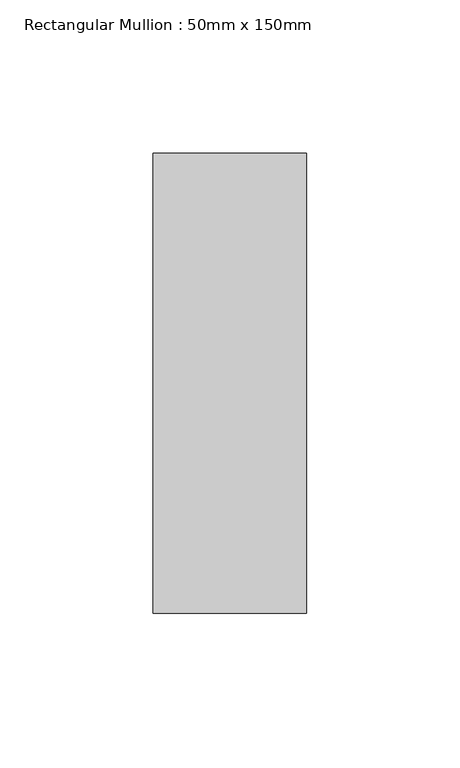
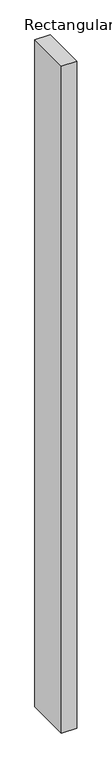
"""IFC4 building model written with IfcOpenShell, lengths in millimetres: member geometry, Rectangular Mullion : 50mm x 150mm."""

import ifcopenshell
import ifcopenshell.guid

model = None  # the IFC model being written
_history = None  # IfcOwnerHistory: only IFC2X3 demands one
_inside = {}  # id of a spatial element -> (the spatial element, [elements in it])
_under = {}  # id of a project, library or spatial element -> (it, [spatial elements below it])
_declared = {}  # id of a project -> (the project, [libraries it declares])
_typed = {}  # id of a type object -> (the type object, [elements of that type])
_made_of = {}  # id of a material, layer set ... -> (it, [elements and type objects made of it])


def new_model(schema):
    """Start an empty IFC model of exactly this schema.

    Asked for "IFC4X3", IfcOpenShell would pick the latest addendum, in which some entities
    have other attributes; the version numbers below select the first issue.
    IFC2X3 requires an IfcOwnerHistory on every rooted entity: one is made here for all.
    """
    global model, _history
    if schema == "IFC4X3":
        model = ifcopenshell.file(schema_version=(4, 3, 0, 0))
    else:
        model = ifcopenshell.file(schema=schema)
    _inside.clear()
    _under.clear()
    _declared.clear()
    _typed.clear()
    _made_of.clear()
    _history = None
    if model.schema == "IFC2X3":
        org = make("IfcOrganization", Name="unknown")
        user = make(
            "IfcPersonAndOrganization",
            ThePerson=make("IfcPerson", FamilyName="unknown"),
            TheOrganization=org,
        )
        app = make(
            "IfcApplication",
            ApplicationDeveloper=org,
            Version="unknown",
            ApplicationFullName="unknown",
            ApplicationIdentifier="unknown",
        )
        _history = make(
            "IfcOwnerHistory",
            OwningUser=user,
            OwningApplication=app,
            ChangeAction="ADDED",
            CreationDate=0,
        )
    return model


def make(cls, **values):
    """One entity of the class cls with the attributes given. An attribute that is None is left unset."""
    return model.create_entity(
        cls, **{name: value for name, value in values.items() if value is not None}
    )


def rooted(cls, **values):
    """An entity with a GlobalId (a new one), such as an element, a storey or a relation."""
    return make(cls, GlobalId=ifcopenshell.guid.new(), OwnerHistory=_history, **values)


def si_unit(unit_type, name, prefix=None):
    """IfcSIUnit, for example si_unit("LENGTHUNIT", "METRE", prefix="MILLI")."""
    return make("IfcSIUnit", UnitType=unit_type, Prefix=prefix, Name=name)


def assignment(units):
    """IfcUnitAssignment: the units of a project."""
    return None if units is None else make("IfcUnitAssignment", Units=units)


def point(xyz):
    """IfcCartesianPoint."""
    return None if xyz is None else make("IfcCartesianPoint", Coordinates=xyz)


def direction(xyz):
    """IfcDirection."""
    return None if xyz is None else make("IfcDirection", DirectionRatios=xyz)


def frame(location, z_axis=None, x_axis=None):
    """IfcAxis2Placement3D, a coordinate frame: its origin and axes. An axis left out is left unset."""
    return make(
        "IfcAxis2Placement3D",
        Location=point(location),
        Axis=direction(z_axis),
        RefDirection=direction(x_axis),
    )


def origin():
    """The frame at (0, 0, 0) with its axes left unset."""
    return frame((0.0, 0.0, 0.0))


def place(relative_to, where):
    """IfcLocalPlacement: puts the frame where relative to a parent placement (None: the world)."""
    return make(
        "IfcLocalPlacement", PlacementRelTo=relative_to, RelativePlacement=where
    )


def context(
    kind, dimensions, precision=None, world=None, true_north=None, identifier=None
):
    """IfcGeometricRepresentationContext, for example the 3D "Model" context."""
    return make(
        "IfcGeometricRepresentationContext",
        ContextIdentifier=identifier,
        ContextType=kind,
        CoordinateSpaceDimension=dimensions,
        Precision=precision,
        WorldCoordinateSystem=world,
        TrueNorth=true_north,
    )


def project(units=None, contexts=None):
    """IfcProject with its units and contexts."""
    return rooted(
        "IfcProject",
        Name="project",
        RepresentationContexts=contexts,
        UnitsInContext=assignment(units),
    )


def spatial(cls, under=None, at=None, **own):
    """A site, building, storey or space (cls), placed at a placement, below another one or the project."""
    s = rooted(cls, ObjectPlacement=at, **own)
    if under is not None:
        _under.setdefault(under.id(), (under, []))[1].append(s)
    return s


def polyline(points):
    """IfcPolyline through the points."""
    return make("IfcPolyline", Points=[point(p) for p in points])


def outline(outer, holes=None, kind="AREA"):
    """IfcArbitraryClosedProfileDef: a profile drawn as a closed curve; with holes, ...WithVoids."""
    if holes is None:
        return make("IfcArbitraryClosedProfileDef", ProfileType=kind, OuterCurve=outer)
    return make(
        "IfcArbitraryProfileDefWithVoids",
        ProfileType=kind,
        OuterCurve=outer,
        InnerCurves=holes,
    )


def extrude(swept, where, along, depth):
    """IfcExtrudedAreaSolid: the profile swept, set in the frame where, extruded along a direction by depth."""
    return make(
        "IfcExtrudedAreaSolid",
        SweptArea=swept,
        Position=where,
        ExtrudedDirection=direction(along),
        Depth=depth,
    )


def shape(context_of_items, identifier, shape_type, items):
    """IfcShapeRepresentation: the items that make up one representation, for example the "Body"."""
    return make(
        "IfcShapeRepresentation",
        ContextOfItems=context_of_items,
        RepresentationIdentifier=identifier,
        RepresentationType=shape_type,
        Items=items,
    )


def source(mapping_origin, context_of_items, identifier, shape_type, items):
    """IfcRepresentationMap: a shape defined once, which mapped items show again and again."""
    return make(
        "IfcRepresentationMap",
        MappingOrigin=mapping_origin,
        MappedRepresentation=shape(context_of_items, identifier, shape_type, items),
    )


def transform(
    local_origin,
    x_axis=None,
    y_axis=None,
    z_axis=None,
    scale=None,
    scale2=None,
    scale3=None,
    uniform=True,
):
    """IfcCartesianTransformationOperator3D, or its non-uniform kind. x_axis, y_axis, z_axis: its Axis1, 2, 3."""
    if uniform:
        return make(
            "IfcCartesianTransformationOperator3D",
            Axis1=direction(x_axis),
            Axis2=direction(y_axis),
            LocalOrigin=point(local_origin),
            Scale=scale,
            Axis3=direction(z_axis),
        )
    return make(
        "IfcCartesianTransformationOperator3DnonUniform",
        Axis1=direction(x_axis),
        Axis2=direction(y_axis),
        LocalOrigin=point(local_origin),
        Scale=scale,
        Axis3=direction(z_axis),
        Scale2=scale2,
        Scale3=scale3,
    )


def mapped(mapping_source, mapping_target):
    """IfcMappedItem: shows the shape of a source again, moved by a transform."""
    return make(
        "IfcMappedItem", MappingSource=mapping_source, MappingTarget=mapping_target
    )


def made_of(thing, what):
    """Note that an element or type object is made of a material, layer set ...; save() writes the relation."""
    if what is not None:
        _made_of.setdefault(what.id(), (what, []))[1].append(thing)
    return thing


def element(
    cls,
    number,
    at=None,
    inside=None,
    cuts=None,
    type_object=None,
    material=None,
    context=None,
    identifier="Body",
    shape_type=None,
    held_by="IfcProductDefinitionShape",
    body=None,
    shapes=None,
    **own,
):
    """One element of the class cls, such as IfcWall. Its Tag is "e" and its number.

    at: its placement. inside: the storey or other place that contains it. cuts: it is an
    opening in that element (IfcRelVoidsElement). A single representation is given by context,
    identifier, shape_type and body (its items); several are given by shapes. held_by: the class
    of the entity that holds the representations. save() writes the other relations.
    """
    e = rooted(cls, Tag="e%d" % number, ObjectPlacement=at, **own)
    if body is not None:
        shapes = [shape(context, identifier, shape_type, body)]
    if shapes is not None:
        e.Representation = make(held_by, Representations=shapes)
    if inside is not None:
        _inside.setdefault(inside.id(), (inside, []))[1].append(e)
    if cuts is not None:
        rooted(
            "IfcRelVoidsElement", RelatingBuildingElement=cuts, RelatedOpeningElement=e
        )
    if type_object is not None:
        _typed.setdefault(type_object.id(), (type_object, []))[1].append(e)
    return made_of(e, material)


def aggregate(whole, parts):
    """IfcRelAggregates: a whole, such as a stair, and the parts it consists of."""
    return rooted("IfcRelAggregates", RelatingObject=whole, RelatedObjects=parts)


def save(model, path):
    """Write the relations noted so far, then the file.

    IfcRelAggregates (storeys below a building ...), IfcRelContainedInSpatialStructure (elements
    in a storey), IfcRelDefinesByType, IfcRelAssociatesMaterial and IfcRelDeclares: one each for
    every whole, place, type object, material and project.
    """
    for whole, parts in _under.values():
        aggregate(whole, parts)
    for where, things in _inside.values():
        rooted(
            "IfcRelContainedInSpatialStructure",
            RelatedElements=things,
            RelatingStructure=where,
        )
    for kind, things in _typed.values():
        rooted("IfcRelDefinesByType", RelatedObjects=things, RelatingType=kind)
    for what, things in _made_of.values():
        rooted("IfcRelAssociatesMaterial", RelatedObjects=things, RelatingMaterial=what)
    for by, libraries in _declared.values():
        rooted("IfcRelDeclares", RelatingContext=by, RelatedDefinitions=libraries)
    model.write(path)


def rectangular_mullion_50mm_x_150mm_f70f74d1(model_context):
    return source(origin(), model_context, "Body", "SweptSolid", [
        extrude(outline(polyline([(25.0, 75.0), (25.0, -75.0), (-25.0, -75.0), (-25.0, 75.0), (25.0, 75.0)])), frame((0.0, 0.0, -2300.0), z_axis=(0.0, 0.0, 1.0), x_axis=(1.0, 0.0, 0.0)), (0.0, 0.0, 1.0), 2300.0),
    ])


if __name__ == "__main__":
    model = new_model("IFC4")
    model_context = context("Model", 3, world=origin())
    ifc_project = project(units=[si_unit("LENGTHUNIT", "METRE", prefix="MILLI")], contexts=[model_context])
    site = spatial("IfcSite", under=ifc_project)
    building = spatial("IfcBuilding", under=site)
    placement = place(None, origin())
    rectangular_mullion_50mm_x_150mm_shape = rectangular_mullion_50mm_x_150mm_f70f74d1(model_context)
    element("IfcMember", 1, ObjectType="Rectangular Mullion : 50mm x 150mm", at=placement, inside=building, context=model_context, shape_type="MappedRepresentation", body=[
        mapped(rectangular_mullion_50mm_x_150mm_shape, transform((0.0, 0.0, 0.0), x_axis=(1.0, 0.0, 0.0), y_axis=(0.0, 1.0, 0.0), z_axis=(0.0, 0.0, 1.0))),
    ])
    save(model, "model.ifc")
